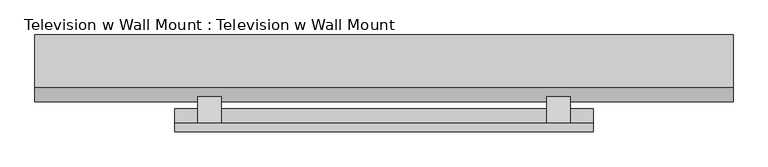
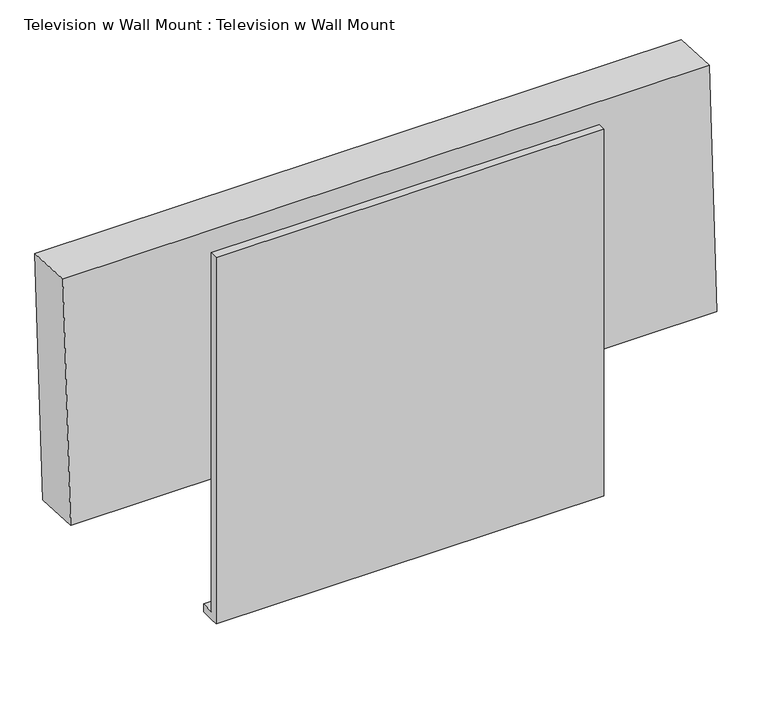
"""IFC4 building model written with IfcOpenShell, lengths in millimetres: proxy geometry, Television w Wall Mount : Television w Wall Mount."""

import ifcopenshell
import ifcopenshell.guid

model = None  # the IFC model being written
_history = None  # IfcOwnerHistory: only IFC2X3 demands one
_inside = {}  # id of a spatial element -> (the spatial element, [elements in it])
_under = {}  # id of a project, library or spatial element -> (it, [spatial elements below it])
_declared = {}  # id of a project -> (the project, [libraries it declares])
_typed = {}  # id of a type object -> (the type object, [elements of that type])
_made_of = {}  # id of a material, layer set ... -> (it, [elements and type objects made of it])


def new_model(schema):
    """Start an empty IFC model of exactly this schema.

    Asked for "IFC4X3", IfcOpenShell would pick the latest addendum, in which some entities
    have other attributes; the version numbers below select the first issue.
    IFC2X3 requires an IfcOwnerHistory on every rooted entity: one is made here for all.
    """
    global model, _history
    if schema == "IFC4X3":
        model = ifcopenshell.file(schema_version=(4, 3, 0, 0))
    else:
        model = ifcopenshell.file(schema=schema)
    _inside.clear()
    _under.clear()
    _declared.clear()
    _typed.clear()
    _made_of.clear()
    _history = None
    if model.schema == "IFC2X3":
        org = make("IfcOrganization", Name="unknown")
        user = make(
            "IfcPersonAndOrganization",
            ThePerson=make("IfcPerson", FamilyName="unknown"),
            TheOrganization=org,
        )
        app = make(
            "IfcApplication",
            ApplicationDeveloper=org,
            Version="unknown",
            ApplicationFullName="unknown",
            ApplicationIdentifier="unknown",
        )
        _history = make(
            "IfcOwnerHistory",
            OwningUser=user,
            OwningApplication=app,
            ChangeAction="ADDED",
            CreationDate=0,
        )
    return model


def make(cls, **values):
    """One entity of the class cls with the attributes given. An attribute that is None is left unset."""
    return model.create_entity(
        cls, **{name: value for name, value in values.items() if value is not None}
    )


def rooted(cls, **values):
    """An entity with a GlobalId (a new one), such as an element, a storey or a relation."""
    return make(cls, GlobalId=ifcopenshell.guid.new(), OwnerHistory=_history, **values)


def si_unit(unit_type, name, prefix=None):
    """IfcSIUnit, for example si_unit("LENGTHUNIT", "METRE", prefix="MILLI")."""
    return make("IfcSIUnit", UnitType=unit_type, Prefix=prefix, Name=name)


def assignment(units):
    """IfcUnitAssignment: the units of a project."""
    return None if units is None else make("IfcUnitAssignment", Units=units)


def point(xyz):
    """IfcCartesianPoint."""
    return None if xyz is None else make("IfcCartesianPoint", Coordinates=xyz)


def direction(xyz):
    """IfcDirection."""
    return None if xyz is None else make("IfcDirection", DirectionRatios=xyz)


def frame(location, z_axis=None, x_axis=None):
    """IfcAxis2Placement3D, a coordinate frame: its origin and axes. An axis left out is left unset."""
    return make(
        "IfcAxis2Placement3D",
        Location=point(location),
        Axis=direction(z_axis),
        RefDirection=direction(x_axis),
    )


def frame_2d(location, x_axis=None):
    """IfcAxis2Placement2D, a coordinate frame in the plane: its origin and x axis."""
    return make(
        "IfcAxis2Placement2D", Location=point(location), RefDirection=direction(x_axis)
    )


def origin():
    """The frame at (0, 0, 0) with its axes left unset."""
    return frame((0.0, 0.0, 0.0))


def place(relative_to, where):
    """IfcLocalPlacement: puts the frame where relative to a parent placement (None: the world)."""
    return make(
        "IfcLocalPlacement", PlacementRelTo=relative_to, RelativePlacement=where
    )


def context(
    kind, dimensions, precision=None, world=None, true_north=None, identifier=None
):
    """IfcGeometricRepresentationContext, for example the 3D "Model" context."""
    return make(
        "IfcGeometricRepresentationContext",
        ContextIdentifier=identifier,
        ContextType=kind,
        CoordinateSpaceDimension=dimensions,
        Precision=precision,
        WorldCoordinateSystem=world,
        TrueNorth=true_north,
    )


def project(units=None, contexts=None):
    """IfcProject with its units and contexts."""
    return rooted(
        "IfcProject",
        Name="project",
        RepresentationContexts=contexts,
        UnitsInContext=assignment(units),
    )


def spatial(cls, under=None, at=None, **own):
    """A site, building, storey or space (cls), placed at a placement, below another one or the project."""
    s = rooted(cls, ObjectPlacement=at, **own)
    if under is not None:
        _under.setdefault(under.id(), (under, []))[1].append(s)
    return s


def polyline(points):
    """IfcPolyline through the points."""
    return make("IfcPolyline", Points=[point(p) for p in points])


def circle_curve(where, radius):
    """IfcCircle in the frame where."""
    return make("IfcCircle", Position=where, Radius=radius)


def trimmed(basis, trim1, trim2, sense, master):
    """IfcTrimmedCurve: the piece of a basis curve between two trims."""
    return make(
        "IfcTrimmedCurve",
        BasisCurve=basis,
        Trim1=trim1,
        Trim2=trim2,
        SenseAgreement=sense,
        MasterRepresentation=master,
    )


def segment(curve, same_sense, transition):
    """IfcCompositeCurveSegment."""
    return make(
        "IfcCompositeCurveSegment",
        Transition=transition,
        SameSense=same_sense,
        ParentCurve=curve,
    )


def composite_curve(segments, self_intersect=None):
    """IfcCompositeCurve: segments joined end to end."""
    return make("IfcCompositeCurve", Segments=segments, SelfIntersect=self_intersect)


def outline(outer, holes=None, kind="AREA"):
    """IfcArbitraryClosedProfileDef: a profile drawn as a closed curve; with holes, ...WithVoids."""
    if holes is None:
        return make("IfcArbitraryClosedProfileDef", ProfileType=kind, OuterCurve=outer)
    return make(
        "IfcArbitraryProfileDefWithVoids",
        ProfileType=kind,
        OuterCurve=outer,
        InnerCurves=holes,
    )


def extrude(swept, where, along, depth):
    """IfcExtrudedAreaSolid: the profile swept, set in the frame where, extruded along a direction by depth."""
    return make(
        "IfcExtrudedAreaSolid",
        SweptArea=swept,
        Position=where,
        ExtrudedDirection=direction(along),
        Depth=depth,
    )


def shape(context_of_items, identifier, shape_type, items):
    """IfcShapeRepresentation: the items that make up one representation, for example the "Body"."""
    return make(
        "IfcShapeRepresentation",
        ContextOfItems=context_of_items,
        RepresentationIdentifier=identifier,
        RepresentationType=shape_type,
        Items=items,
    )


def source(mapping_origin, context_of_items, identifier, shape_type, items):
    """IfcRepresentationMap: a shape defined once, which mapped items show again and again."""
    return make(
        "IfcRepresentationMap",
        MappingOrigin=mapping_origin,
        MappedRepresentation=shape(context_of_items, identifier, shape_type, items),
    )


def transform(
    local_origin,
    x_axis=None,
    y_axis=None,
    z_axis=None,
    scale=None,
    scale2=None,
    scale3=None,
    uniform=True,
):
    """IfcCartesianTransformationOperator3D, or its non-uniform kind. x_axis, y_axis, z_axis: its Axis1, 2, 3."""
    if uniform:
        return make(
            "IfcCartesianTransformationOperator3D",
            Axis1=direction(x_axis),
            Axis2=direction(y_axis),
            LocalOrigin=point(local_origin),
            Scale=scale,
            Axis3=direction(z_axis),
        )
    return make(
        "IfcCartesianTransformationOperator3DnonUniform",
        Axis1=direction(x_axis),
        Axis2=direction(y_axis),
        LocalOrigin=point(local_origin),
        Scale=scale,
        Axis3=direction(z_axis),
        Scale2=scale2,
        Scale3=scale3,
    )


def mapped(mapping_source, mapping_target):
    """IfcMappedItem: shows the shape of a source again, moved by a transform."""
    return make(
        "IfcMappedItem", MappingSource=mapping_source, MappingTarget=mapping_target
    )


def made_of(thing, what):
    """Note that an element or type object is made of a material, layer set ...; save() writes the relation."""
    if what is not None:
        _made_of.setdefault(what.id(), (what, []))[1].append(thing)
    return thing


def element(
    cls,
    number,
    at=None,
    inside=None,
    cuts=None,
    type_object=None,
    material=None,
    context=None,
    identifier="Body",
    shape_type=None,
    held_by="IfcProductDefinitionShape",
    body=None,
    shapes=None,
    **own,
):
    """One element of the class cls, such as IfcWall. Its Tag is "e" and its number.

    at: its placement. inside: the storey or other place that contains it. cuts: it is an
    opening in that element (IfcRelVoidsElement). A single representation is given by context,
    identifier, shape_type and body (its items); several are given by shapes. held_by: the class
    of the entity that holds the representations. save() writes the other relations.
    """
    e = rooted(cls, Tag="e%d" % number, ObjectPlacement=at, **own)
    if body is not None:
        shapes = [shape(context, identifier, shape_type, body)]
    if shapes is not None:
        e.Representation = make(held_by, Representations=shapes)
    if inside is not None:
        _inside.setdefault(inside.id(), (inside, []))[1].append(e)
    if cuts is not None:
        rooted(
            "IfcRelVoidsElement", RelatingBuildingElement=cuts, RelatedOpeningElement=e
        )
    if type_object is not None:
        _typed.setdefault(type_object.id(), (type_object, []))[1].append(e)
    return made_of(e, material)


def aggregate(whole, parts):
    """IfcRelAggregates: a whole, such as a stair, and the parts it consists of."""
    return rooted("IfcRelAggregates", RelatingObject=whole, RelatedObjects=parts)


def save(model, path):
    """Write the relations noted so far, then the file.

    IfcRelAggregates (storeys below a building ...), IfcRelContainedInSpatialStructure (elements
    in a storey), IfcRelDefinesByType, IfcRelAssociatesMaterial and IfcRelDeclares: one each for
    every whole, place, type object, material and project.
    """
    for whole, parts in _under.values():
        aggregate(whole, parts)
    for where, things in _inside.values():
        rooted(
            "IfcRelContainedInSpatialStructure",
            RelatedElements=things,
            RelatingStructure=where,
        )
    for kind, things in _typed.values():
        rooted("IfcRelDefinesByType", RelatedObjects=things, RelatingType=kind)
    for what, things in _made_of.values():
        rooted("IfcRelAssociatesMaterial", RelatedObjects=things, RelatingMaterial=what)
    for by, libraries in _declared.values():
        rooted("IfcRelDeclares", RelatingContext=by, RelatedDefinitions=libraries)
    model.write(path)


def plane_surface(at):
    """IfcPlane: the flat surface through the origin of the frame at, square to its z axis."""
    return make("IfcPlane", Position=at)


def revolved_surface(curve, axis_point, axis_direction):
    """IfcSurfaceOfRevolution: the curve turned about the line through axis_point along axis_direction."""
    return make(
        "IfcSurfaceOfRevolution",
        SweptCurve=make("IfcArbitraryOpenProfileDef", ProfileType="CURVE", Curve=curve),
        AxisPosition=make("IfcAxis1Placement", Location=point(axis_point), Axis=direction(axis_direction)),
    )


def advanced_brep(points, edges, surfaces, faces):
    """IfcAdvancedBrep: a solid bounded by faces that lie on surfaces and meet in shared edges.

    An edge is (start, end): straight between two places in points (the first is 0);
    or (start, end, curve); or (start, end, curve, False) where it runs against its curve.
    A face is (place in surfaces, loops), or (place, loops, False) where it looks against
    its surface's normal. A loop lists edges by number (the first is 1), with a minus sign
    where the edge is run from its end to its start. The first loop is the outer one.
    """
    corners = [point(p) for p in points]
    vertices = [make("IfcVertexPoint", VertexGeometry=c) for c in corners]
    made = []
    for start, end, *more in edges:
        made.append(
            make(
                "IfcEdgeCurve",
                EdgeStart=vertices[start],
                EdgeEnd=vertices[end],
                EdgeGeometry=more[0] if more else make("IfcPolyline", Points=[corners[start], corners[end]]),
                SameSense=more[1] if len(more) > 1 else True,
            )
        )
    hull = []
    for where, loops, *sense in faces:
        bounds = []
        for j, loop in enumerate(loops):
            ring = [make("IfcOrientedEdge", EdgeElement=made[abs(k) - 1], Orientation=k > 0) for k in loop]
            bounds.append(
                make(
                    "IfcFaceOuterBound" if j == 0 else "IfcFaceBound",
                    Bound=make("IfcEdgeLoop", EdgeList=ring),
                    Orientation=True,
                )
            )
        hull.append(make("IfcAdvancedFace", Bounds=bounds, FaceSurface=surfaces[where], SameSense=sense[0] if sense else True))
    return make("IfcAdvancedBrep", Outer=make("IfcClosedShell", CfsFaces=hull))


def television_w_wall_mount_television_w_wall_mount_cd2582d7(model_context):
    return source(origin(), model_context, "Body", "SolidModel", [
        extrude(outline(composite_curve([segment(trimmed(circle_curve(frame_2d((0.0, -9.0037851)), 9.0037851), [point((0.0, -18.0075701))], [point((0.0, 0.0))], False, "CARTESIAN"), True, "CONTINUOUS"), segment(trimmed(circle_curve(frame_2d((0.0, -9.0037851)), 9.0037851), [point((0.0, 0.0))], [point((0.0, -18.0075701))], False, "CARTESIAN"), True, "CONTINUOUS")], self_intersect=False)), frame((-1182.2925401, 240.5253505, 2466.195864), z_axis=(0.0, -0.9986295347545739, 0.05233595624294378), x_axis=(1.0, 0.0, 0.0)), (0.0, 0.0, 1.0), 3.175),
        extrude(outline(composite_curve([segment(trimmed(circle_curve(frame_2d((0.0, -9.0037851)), 9.0037851), [point((0.0, -18.0075701))], [point((0.0, 0.0))], False, "CARTESIAN"), True, "CONTINUOUS"), segment(trimmed(circle_curve(frame_2d((0.0, -9.0037851)), 9.0037851), [point((0.0, 0.0))], [point((0.0, -18.0075701))], False, "CARTESIAN"), True, "CONTINUOUS")], self_intersect=False)), frame((-1201.3425401, 240.5253505, 2466.195864), z_axis=(0.0, -0.9986295347545739, 0.05233595624294378), x_axis=(1.0, 0.0, 0.0)), (0.0, 0.0, 1.0), 3.175),
        extrude(outline(polyline([(138.7616051, 2647.7291544), (135.5082889, 2585.6521819), (80.9625, 2680.1282596), (80.9625, 2705.5282596), (138.7616051, 2647.7291544)])), frame((-170.18, 0.0, 0.0), z_axis=(1.0, 0.0, 0.0), x_axis=(0.0, 1.0, 0.0)), (0.0, 0.0, 1.0), 50.8),
        extrude(outline(polyline([(138.7616051, 2647.7291544), (135.5082889, 2585.6521819), (80.9625, 2680.1282596), (80.9625, 2705.5282596), (138.7616051, 2647.7291544)])), frame((-932.18, 0.0, 0.0), z_axis=(1.0, 0.0, 0.0), x_axis=(0.0, 1.0, 0.0)), (0.0, 0.0, 1.0), 50.8),
        extrude(outline(polyline([(61.9125, 2133.6), (61.9125, 3048.0), (80.9625, 3048.0), (80.9625, 2152.65), (112.8156061, 2152.65), (111.8172379, 2133.6), (80.9625, 2133.6), (61.9125, 2133.6)])), frame((-982.98, 0.0, 0.0), z_axis=(1.0, 0.0, 0.0), x_axis=(0.0, 1.0, 0.0)), (0.0, 0.0, 1.0), 914.4),
        extrude(outline(polyline([(0.0, -1458.9125), (0.0, 0.0), (3.175, 0.0), (3.175, -1458.9125), (0.0, -1458.9125)])), frame((-1255.23625, 237.7077838, 2473.0992385), z_axis=(0.0, 0.052335956242984656, 0.9986295347545718), x_axis=(0.0, 0.9986295347545718, -0.052335956242984656)), (0.0, 0.0, 1.0), 531.4488846),
        extrude(outline(polyline([(0.0, -1458.9125), (0.0, 0.0), (76.2, 0.0), (76.2, -1458.9125), (0.0, -1458.9125)])), frame((-1255.23625, 155.2709157, 2477.4195717), z_axis=(0.0, 0.052335956242941954, 0.998629534754574), x_axis=(0.0, 0.998629534754574, -0.052335956242941954)), (0.0, 0.0, 1.0), 531.4488846),
        extrude(outline(composite_curve([segment(trimmed(circle_curve(frame_2d((0.0, -9.0037851)), 9.0037851), [point((0.0, -18.0075701))], [point((0.0, 0.0))], False, "CARTESIAN"), True, "CONTINUOUS"), segment(trimmed(circle_curve(frame_2d((0.0, -9.0037851)), 9.0037851), [point((0.0, 0.0))], [point((0.0, -18.0075701))], False, "CARTESIAN"), True, "CONTINUOUS")], self_intersect=False)), frame((-1220.3925401, 240.5253505, 2466.195864), z_axis=(0.0, -0.9986295347545739, 0.05233595624294378), x_axis=(1.0, 0.0, 0.0)), (0.0, 0.0, 1.0), 3.175),
        advanced_brep(
        [(-1287.78, 159.4228194, 3041.9686073), (-1287.78, 128.2025172, 2446.249755), (236.22, 128.2025172, 2446.249755), (236.22, 159.4228194, 3041.9686073), (-1287.78, 273.5661752, 3035.9866075), (236.22, 273.5661752, 3035.9866075), (236.22, 242.3458731, 2440.2677552), (-1287.78, 242.3458731, 2440.2677552), (-1255.23625, 271.8629669, 3003.4874576), (-1255.23625, 244.0490813, 2472.7669052), (203.67625, 244.0490813, 2472.7669052), (203.67625, 271.8629669, 3003.4874576), (-1220.3925401, 242.907645, 2450.9870027), (-1220.3925401, 243.5723117, 2463.6695978), (-1201.3425401, 242.907645, 2450.9870027), (-1201.3425401, 243.5723117, 2463.6695978), (-1182.2925401, 242.907645, 2450.9870027), (-1182.2925401, 243.5723117, 2463.6695978), (-1255.23625, 183.0848013, 3008.1401241), (203.67625, 183.0848013, 3008.1401241), (203.67625, 155.2709157, 2477.4195717), (-1255.23625, 155.2709157, 2477.4195717), (-1220.3925401, 154.1294794, 2455.6396693), (-1220.3925401, 154.794146, 2468.3222643), (-1201.3425401, 154.1294794, 2455.6396693), (-1201.3425401, 154.794146, 2468.3222643), (-1182.2925401, 154.1294794, 2455.6396693), (-1182.2925401, 154.794146, 2468.3222643)],
        [
            (0, 1),
            (1, 2),
            (2, 3),
            (3, 0),
            (4, 5),
            (5, 6),
            (6, 7),
            (7, 4),
            (8, 9),
            (9, 10),
            (10, 11),
            (11, 8),
            (12, 13, circle_curve(frame((-1220.3925401, 243.2399783, 2457.3283003), z_axis=(0.0, -0.9986295347545739, 0.05233595624294378), x_axis=(0.0, 0.05233595624294378, 0.9986295347545739)), 6.35)),
            (13, 12, circle_curve(frame((-1220.3925401, 243.2399783, 2457.3283003), z_axis=(0.0, -0.9986295347545739, 0.05233595624294378), x_axis=(0.0, 0.05233595624294378, 0.9986295347545739)), 6.35)),
            (14, 15, circle_curve(frame((-1201.3425401, 243.2399783, 2457.3283003), z_axis=(0.0, -0.9986295347545739, 0.05233595624294378), x_axis=(0.0, 0.05233595624294378, 0.9986295347545739)), 6.35)),
            (15, 14, circle_curve(frame((-1201.3425401, 243.2399783, 2457.3283003), z_axis=(0.0, -0.9986295347545739, 0.05233595624294378), x_axis=(0.0, 0.05233595624294378, 0.9986295347545739)), 6.35)),
            (16, 17, circle_curve(frame((-1182.2925401, 243.2399783, 2457.3283003), z_axis=(0.0, -0.9986295347545739, 0.05233595624294378), x_axis=(0.0, 0.05233595624294378, 0.9986295347545739)), 6.35)),
            (17, 16, circle_curve(frame((-1182.2925401, 243.2399783, 2457.3283003), z_axis=(0.0, -0.9986295347545739, 0.05233595624294378), x_axis=(0.0, 0.05233595624294378, 0.9986295347545739)), 6.35)),
            (0, 4),
            (7, 1),
            (6, 2),
            (5, 3),
            (18, 19),
            (19, 20),
            (20, 21),
            (21, 18),
            (21, 9),
            (8, 18),
            (20, 10),
            (19, 11),
            (22, 23, circle_curve(frame((-1220.3925401, 154.4618127, 2461.9809668), z_axis=(0.0, 0.9986295347545739, -0.05233595624294378), x_axis=(0.0, 0.05233595624294378, 0.9986295347545739)), 6.35)),
            (23, 22, circle_curve(frame((-1220.3925401, 154.4618127, 2461.9809668), z_axis=(0.0, 0.9986295347545739, -0.05233595624294378), x_axis=(0.0, 0.05233595624294378, 0.9986295347545739)), 6.35)),
            (24, 25, circle_curve(frame((-1201.3425401, 154.4618127, 2461.9809668), z_axis=(0.0, 0.9986295347545739, -0.05233595624294378), x_axis=(0.0, 0.05233595624294378, 0.9986295347545739)), 6.35)),
            (25, 24, circle_curve(frame((-1201.3425401, 154.4618127, 2461.9809668), z_axis=(0.0, 0.9986295347545739, -0.05233595624294378), x_axis=(0.0, 0.05233595624294378, 0.9986295347545739)), 6.35)),
            (26, 27, circle_curve(frame((-1182.2925401, 154.4618127, 2461.9809668), z_axis=(0.0, 0.9986295347545739, -0.05233595624294378), x_axis=(0.0, 0.05233595624294378, 0.9986295347545739)), 6.35)),
            (27, 26, circle_curve(frame((-1182.2925401, 154.4618127, 2461.9809668), z_axis=(0.0, 0.9986295347545739, -0.05233595624294378), x_axis=(0.0, 0.05233595624294378, 0.9986295347545739)), 6.35)),
            (23, 13),
            (12, 22),
            (25, 15),
            (14, 24),
            (27, 17),
            (16, 26),
        ],
        [
            plane_surface(frame((-1287.78, 159.4228194, 3041.9686073), z_axis=(0.0, -0.9986295347545739, 0.05233595624294378), x_axis=(0.0, -0.05233595624294378, -0.9986295347545739))),
            plane_surface(frame((-1287.78, 273.5661752, 3035.9866075), z_axis=(0.0, 0.9986295347545739, -0.05233595624294378), x_axis=(0.0, 0.05233595624294378, 0.9986295347545739))),
            plane_surface(frame((-1287.78, 159.4228194, 3041.9686073), z_axis=(-1.0000000000000002, 0.0, 0.0), x_axis=(0.0, 0.998629534754574, -0.05233595624294197))),
            plane_surface(frame((-1287.78, 128.2025172, 2446.249755), z_axis=(0.0, -0.05233595624294196, -0.998629534754574), x_axis=(0.0, 0.998629534754574, -0.05233595624294196))),
            plane_surface(frame((236.22, 128.2025172, 2446.249755), z_axis=(1.0000000000000002, 0.0, 0.0), x_axis=(0.0, 0.998629534754574, -0.05233595624294196))),
            plane_surface(frame((236.22, 159.4228194, 3041.9686073), z_axis=(0.0, 0.05233595624294197, 0.998629534754574), x_axis=(0.0, 0.998629534754574, -0.05233595624294197))),
            plane_surface(frame((-1255.23625, 183.0848013, 3008.1401241), z_axis=(0.0, 0.9986295347545739, -0.05233595624294378), x_axis=(0.0, -0.05233595624294378, -0.9986295347545739))),
            plane_surface(frame((-1255.23625, 183.0848013, 3008.1401241), z_axis=(1.0000000000000002, 0.0, 0.0), x_axis=(0.0, 0.998629534754574, -0.05233595624294197))),
            plane_surface(frame((-1255.23625, 155.2709157, 2477.4195717), z_axis=(0.0, 0.05233595624294197, 0.998629534754574), x_axis=(0.0, 0.998629534754574, -0.05233595624294197))),
            plane_surface(frame((203.67625, 155.2709157, 2477.4195717), z_axis=(-1.0000000000000002, 0.0, 0.0), x_axis=(0.0, 0.998629534754574, -0.05233595624294197))),
            plane_surface(frame((203.67625, 183.0848013, 3008.1401241), z_axis=(0.0, -0.05233595624294197, -0.998629534754574), x_axis=(0.0, 0.998629534754574, -0.05233595624294197))),
            plane_surface(frame((-1220.3925401, 154.794146, 2468.3222643), z_axis=(0.0, 0.9986295347545739, -0.05233595624294377), x_axis=(-1.0, 0.0, 0.0))),
            revolved_surface(polyline([(-1220.3925401, 154.79414600286253, 2468.3222643546205), (-1220.3925401, 243.5723117021748, 2463.6695978414978)]), (-1220.3925401, 243.2399783, 2457.3283003), (0.0, -0.9986295347545739, 0.05233595624294378)),
            revolved_surface(polyline([(-1201.3425401, 154.79414600299884, 2468.3222643572212), (-1201.3425401, 243.57231170231108, 2463.669597844098)]), (-1201.3425401, 129.0966225, 2463.3103001), (0.0, -0.9986295347545739, 0.05233595624294378)),
            revolved_surface(polyline([(-1182.2925401, 154.79414600299884, 2468.3222643572212), (-1182.2925401, 243.57231170231108, 2463.669597844098)]), (-1182.2925401, 129.0966225, 2463.3103001), (0.0, -0.9986295347545739, 0.05233595624294378)),
        ],
        [
            (0, [[1, 2, 3, 4]]),
            (1, [[5, 6, 7, 8], [9, 10, 11, 12], [13, 14], [15, 16], [17, 18]]),
            (2, [[-1, 19, -8, 20]]),
            (3, [[-2, -20, -7, 21]]),
            (4, [[-3, -21, -6, 22]]),
            (5, [[-4, -22, -5, -19]]),
            (6, [[23, 24, 25, 26]]),
            (7, [[-26, 27, -9, 28]]),
            (8, [[-25, 29, -10, -27]]),
            (9, [[-24, 30, -11, -29]]),
            (10, [[-23, -28, -12, -30]]),
            (11, [[31, 32]]),
            (11, [[33, 34]]),
            (11, [[35, 36]]),
            (12, [[-32, 37, -13, 38]]),
            (12, [[-31, -38, -14, -37]]),
            (13, [[-34, 39, -15, 40]]),
            (13, [[-33, -40, -16, -39]]),
            (14, [[-36, 41, -17, 42]]),
            (14, [[-35, -42, -18, -41]]),
        ],
    ),
    ])


if __name__ == "__main__":
    model = new_model("IFC4")
    model_context = context("Model", 3, world=origin())
    ifc_project = project(units=[si_unit("LENGTHUNIT", "METRE", prefix="MILLI")], contexts=[model_context])
    site = spatial("IfcSite", under=ifc_project)
    building = spatial("IfcBuilding", under=site)
    placement = place(None, origin())
    television_w_wall_mount_television_w_wall_mount_shape = television_w_wall_mount_television_w_wall_mount_cd2582d7(model_context)
    element("IfcBuildingElementProxy", 1, Name="Television w Wall Mount : Television w Wall Mount", ObjectType="Television w Wall Mount : Television w Wall Mount", at=placement, inside=building, context=model_context, shape_type="MappedRepresentation", body=[
        mapped(television_w_wall_mount_television_w_wall_mount_shape, transform((0.0, 0.0, 0.0), x_axis=(1.0, 0.0, 0.0), y_axis=(0.0, 1.0, 0.0), z_axis=(0.0, 0.0, 1.0))),
    ])
    save(model, "model.ifc")
